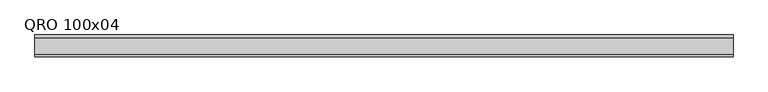
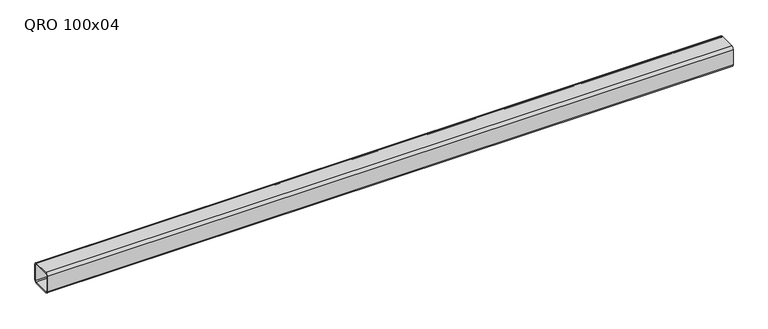
"""IFC4 building model written with IfcOpenShell, lengths in millimetres: beam geometry, QRO 100x04."""

import ifcopenshell
import ifcopenshell.guid

model = None  # the IFC model being written
_history = None  # IfcOwnerHistory: only IFC2X3 demands one
_inside = {}  # id of a spatial element -> (the spatial element, [elements in it])
_under = {}  # id of a project, library or spatial element -> (it, [spatial elements below it])
_declared = {}  # id of a project -> (the project, [libraries it declares])
_typed = {}  # id of a type object -> (the type object, [elements of that type])
_made_of = {}  # id of a material, layer set ... -> (it, [elements and type objects made of it])


def new_model(schema):
    """Start an empty IFC model of exactly this schema.

    Asked for "IFC4X3", IfcOpenShell would pick the latest addendum, in which some entities
    have other attributes; the version numbers below select the first issue.
    IFC2X3 requires an IfcOwnerHistory on every rooted entity: one is made here for all.
    """
    global model, _history
    if schema == "IFC4X3":
        model = ifcopenshell.file(schema_version=(4, 3, 0, 0))
    else:
        model = ifcopenshell.file(schema=schema)
    _inside.clear()
    _under.clear()
    _declared.clear()
    _typed.clear()
    _made_of.clear()
    _history = None
    if model.schema == "IFC2X3":
        org = make("IfcOrganization", Name="unknown")
        user = make(
            "IfcPersonAndOrganization",
            ThePerson=make("IfcPerson", FamilyName="unknown"),
            TheOrganization=org,
        )
        app = make(
            "IfcApplication",
            ApplicationDeveloper=org,
            Version="unknown",
            ApplicationFullName="unknown",
            ApplicationIdentifier="unknown",
        )
        _history = make(
            "IfcOwnerHistory",
            OwningUser=user,
            OwningApplication=app,
            ChangeAction="ADDED",
            CreationDate=0,
        )
    return model


def make(cls, **values):
    """One entity of the class cls with the attributes given. An attribute that is None is left unset."""
    return model.create_entity(
        cls, **{name: value for name, value in values.items() if value is not None}
    )


def rooted(cls, **values):
    """An entity with a GlobalId (a new one), such as an element, a storey or a relation."""
    return make(cls, GlobalId=ifcopenshell.guid.new(), OwnerHistory=_history, **values)


def si_unit(unit_type, name, prefix=None):
    """IfcSIUnit, for example si_unit("LENGTHUNIT", "METRE", prefix="MILLI")."""
    return make("IfcSIUnit", UnitType=unit_type, Prefix=prefix, Name=name)


def assignment(units):
    """IfcUnitAssignment: the units of a project."""
    return None if units is None else make("IfcUnitAssignment", Units=units)


def point(xyz):
    """IfcCartesianPoint."""
    return None if xyz is None else make("IfcCartesianPoint", Coordinates=xyz)


def direction(xyz):
    """IfcDirection."""
    return None if xyz is None else make("IfcDirection", DirectionRatios=xyz)


def frame(location, z_axis=None, x_axis=None):
    """IfcAxis2Placement3D, a coordinate frame: its origin and axes. An axis left out is left unset."""
    return make(
        "IfcAxis2Placement3D",
        Location=point(location),
        Axis=direction(z_axis),
        RefDirection=direction(x_axis),
    )


def frame_2d(location, x_axis=None):
    """IfcAxis2Placement2D, a coordinate frame in the plane: its origin and x axis."""
    return make(
        "IfcAxis2Placement2D", Location=point(location), RefDirection=direction(x_axis)
    )


def origin():
    """The frame at (0, 0, 0) with its axes left unset."""
    return frame((0.0, 0.0, 0.0))


def place(relative_to, where):
    """IfcLocalPlacement: puts the frame where relative to a parent placement (None: the world)."""
    return make(
        "IfcLocalPlacement", PlacementRelTo=relative_to, RelativePlacement=where
    )


def context(
    kind, dimensions, precision=None, world=None, true_north=None, identifier=None
):
    """IfcGeometricRepresentationContext, for example the 3D "Model" context."""
    return make(
        "IfcGeometricRepresentationContext",
        ContextIdentifier=identifier,
        ContextType=kind,
        CoordinateSpaceDimension=dimensions,
        Precision=precision,
        WorldCoordinateSystem=world,
        TrueNorth=true_north,
    )


def project(units=None, contexts=None):
    """IfcProject with its units and contexts."""
    return rooted(
        "IfcProject",
        Name="project",
        RepresentationContexts=contexts,
        UnitsInContext=assignment(units),
    )


def spatial(cls, under=None, at=None, **own):
    """A site, building, storey or space (cls), placed at a placement, below another one or the project."""
    s = rooted(cls, ObjectPlacement=at, **own)
    if under is not None:
        _under.setdefault(under.id(), (under, []))[1].append(s)
    return s


def polyline(points):
    """IfcPolyline through the points."""
    return make("IfcPolyline", Points=[point(p) for p in points])


def circle_curve(where, radius):
    """IfcCircle in the frame where."""
    return make("IfcCircle", Position=where, Radius=radius)


def trimmed(basis, trim1, trim2, sense, master):
    """IfcTrimmedCurve: the piece of a basis curve between two trims."""
    return make(
        "IfcTrimmedCurve",
        BasisCurve=basis,
        Trim1=trim1,
        Trim2=trim2,
        SenseAgreement=sense,
        MasterRepresentation=master,
    )


def segment(curve, same_sense, transition):
    """IfcCompositeCurveSegment."""
    return make(
        "IfcCompositeCurveSegment",
        Transition=transition,
        SameSense=same_sense,
        ParentCurve=curve,
    )


def composite_curve(segments, self_intersect=None):
    """IfcCompositeCurve: segments joined end to end."""
    return make("IfcCompositeCurve", Segments=segments, SelfIntersect=self_intersect)


def outline(outer, holes=None, kind="AREA"):
    """IfcArbitraryClosedProfileDef: a profile drawn as a closed curve; with holes, ...WithVoids."""
    if holes is None:
        return make("IfcArbitraryClosedProfileDef", ProfileType=kind, OuterCurve=outer)
    return make(
        "IfcArbitraryProfileDefWithVoids",
        ProfileType=kind,
        OuterCurve=outer,
        InnerCurves=holes,
    )


def extrude(swept, where, along, depth):
    """IfcExtrudedAreaSolid: the profile swept, set in the frame where, extruded along a direction by depth."""
    return make(
        "IfcExtrudedAreaSolid",
        SweptArea=swept,
        Position=where,
        ExtrudedDirection=direction(along),
        Depth=depth,
    )


def shape(context_of_items, identifier, shape_type, items):
    """IfcShapeRepresentation: the items that make up one representation, for example the "Body"."""
    return make(
        "IfcShapeRepresentation",
        ContextOfItems=context_of_items,
        RepresentationIdentifier=identifier,
        RepresentationType=shape_type,
        Items=items,
    )


def source(mapping_origin, context_of_items, identifier, shape_type, items):
    """IfcRepresentationMap: a shape defined once, which mapped items show again and again."""
    return make(
        "IfcRepresentationMap",
        MappingOrigin=mapping_origin,
        MappedRepresentation=shape(context_of_items, identifier, shape_type, items),
    )


def transform(
    local_origin,
    x_axis=None,
    y_axis=None,
    z_axis=None,
    scale=None,
    scale2=None,
    scale3=None,
    uniform=True,
):
    """IfcCartesianTransformationOperator3D, or its non-uniform kind. x_axis, y_axis, z_axis: its Axis1, 2, 3."""
    if uniform:
        return make(
            "IfcCartesianTransformationOperator3D",
            Axis1=direction(x_axis),
            Axis2=direction(y_axis),
            LocalOrigin=point(local_origin),
            Scale=scale,
            Axis3=direction(z_axis),
        )
    return make(
        "IfcCartesianTransformationOperator3DnonUniform",
        Axis1=direction(x_axis),
        Axis2=direction(y_axis),
        LocalOrigin=point(local_origin),
        Scale=scale,
        Axis3=direction(z_axis),
        Scale2=scale2,
        Scale3=scale3,
    )


def mapped(mapping_source, mapping_target):
    """IfcMappedItem: shows the shape of a source again, moved by a transform."""
    return make(
        "IfcMappedItem", MappingSource=mapping_source, MappingTarget=mapping_target
    )


def made_of(thing, what):
    """Note that an element or type object is made of a material, layer set ...; save() writes the relation."""
    if what is not None:
        _made_of.setdefault(what.id(), (what, []))[1].append(thing)
    return thing


def element(
    cls,
    number,
    at=None,
    inside=None,
    cuts=None,
    type_object=None,
    material=None,
    context=None,
    identifier="Body",
    shape_type=None,
    held_by="IfcProductDefinitionShape",
    body=None,
    shapes=None,
    **own,
):
    """One element of the class cls, such as IfcWall. Its Tag is "e" and its number.

    at: its placement. inside: the storey or other place that contains it. cuts: it is an
    opening in that element (IfcRelVoidsElement). A single representation is given by context,
    identifier, shape_type and body (its items); several are given by shapes. held_by: the class
    of the entity that holds the representations. save() writes the other relations.
    """
    e = rooted(cls, Tag="e%d" % number, ObjectPlacement=at, **own)
    if body is not None:
        shapes = [shape(context, identifier, shape_type, body)]
    if shapes is not None:
        e.Representation = make(held_by, Representations=shapes)
    if inside is not None:
        _inside.setdefault(inside.id(), (inside, []))[1].append(e)
    if cuts is not None:
        rooted(
            "IfcRelVoidsElement", RelatingBuildingElement=cuts, RelatedOpeningElement=e
        )
    if type_object is not None:
        _typed.setdefault(type_object.id(), (type_object, []))[1].append(e)
    return made_of(e, material)


def aggregate(whole, parts):
    """IfcRelAggregates: a whole, such as a stair, and the parts it consists of."""
    return rooted("IfcRelAggregates", RelatingObject=whole, RelatedObjects=parts)


def save(model, path):
    """Write the relations noted so far, then the file.

    IfcRelAggregates (storeys below a building ...), IfcRelContainedInSpatialStructure (elements
    in a storey), IfcRelDefinesByType, IfcRelAssociatesMaterial and IfcRelDeclares: one each for
    every whole, place, type object, material and project.
    """
    for whole, parts in _under.values():
        aggregate(whole, parts)
    for where, things in _inside.values():
        rooted(
            "IfcRelContainedInSpatialStructure",
            RelatedElements=things,
            RelatingStructure=where,
        )
    for kind, things in _typed.values():
        rooted("IfcRelDefinesByType", RelatedObjects=things, RelatingType=kind)
    for what, things in _made_of.values():
        rooted("IfcRelAssociatesMaterial", RelatedObjects=things, RelatingMaterial=what)
    for by, libraries in _declared.values():
        rooted("IfcRelDeclares", RelatingContext=by, RelatedDefinitions=libraries)
    model.write(path)


def qro_100x04_ad6d1d57(model_context):
    return source(origin(), model_context, "Body", "SweptSolid", [
        extrude(outline(composite_curve([segment(polyline([(50.0, 38.0), (50.0, -38.0)]), True, "CONTINUOUS"), segment(trimmed(circle_curve(frame_2d((38.0, -38.0)), 12.0), [point((50.0, -38.0))], [point((38.0, -50.0))], False, "CARTESIAN"), True, "CONTINUOUS"), segment(polyline([(38.0, -50.0), (-38.0, -50.0)]), True, "CONTINUOUS"), segment(trimmed(circle_curve(frame_2d((-38.0, -38.0)), 12.0), [point((-38.0, -50.0))], [point((-50.0, -38.0))], False, "CARTESIAN"), True, "CONTINUOUS"), segment(polyline([(-50.0, -38.0), (-50.0, 38.0)]), True, "CONTINUOUS"), segment(trimmed(circle_curve(frame_2d((-38.0, 38.0)), 12.0), [point((-50.0, 38.0))], [point((-38.0, 50.0))], False, "CARTESIAN"), True, "CONTINUOUS"), segment(polyline([(-38.0, 50.0), (38.0, 50.0)]), True, "CONTINUOUS"), segment(trimmed(circle_curve(frame_2d((38.0, 38.0)), 12.0), [point((38.0, 50.0))], [point((50.0, 38.0))], False, "CARTESIAN"), True, "CONTINUOUS")], self_intersect=False), holes=[composite_curve([segment(trimmed(circle_curve(frame_2d((-38.0, 38.0)), 6.0), [point((-38.0, 44.0))], [point((-44.0, 38.0))], True, "CARTESIAN"), True, "CONTINUOUS"), segment(polyline([(-44.0, 38.0), (-44.0, -38.0)]), True, "CONTINUOUS"), segment(trimmed(circle_curve(frame_2d((-38.0, -38.0)), 6.0), [point((-44.0, -38.0))], [point((-38.0, -44.0))], True, "CARTESIAN"), True, "CONTINUOUS"), segment(polyline([(-38.0, -44.0), (38.0, -44.0)]), True, "CONTINUOUS"), segment(trimmed(circle_curve(frame_2d((38.0, -38.0)), 6.0), [point((38.0, -44.0))], [point((44.0, -38.0))], True, "CARTESIAN"), True, "CONTINUOUS"), segment(polyline([(44.0, -38.0), (44.0, 38.0)]), True, "CONTINUOUS"), segment(trimmed(circle_curve(frame_2d((38.0, 38.0)), 6.0), [point((44.0, 38.0))], [point((38.0, 44.0))], True, "CARTESIAN"), True, "CONTINUOUS"), segment(polyline([(38.0, 44.0), (-38.0, 44.0)]), True, "CONTINUOUS")], self_intersect=False)]), frame((-1622.5057092, 0.0, 0.0), z_axis=(1.0, 0.0, 0.0), x_axis=(0.0, 1.0, 0.0)), (0.0, 0.0, 1.0), 3211.0103942),
    ])


if __name__ == "__main__":
    model = new_model("IFC4")
    model_context = context("Model", 3, world=origin())
    ifc_project = project(units=[si_unit("LENGTHUNIT", "METRE", prefix="MILLI")], contexts=[model_context])
    site = spatial("IfcSite", under=ifc_project)
    building = spatial("IfcBuilding", under=site)
    placement = place(None, origin())
    qro_100x04_shape = qro_100x04_ad6d1d57(model_context)
    element("IfcBeam", 1, ObjectType="QRO 100x04", at=placement, inside=building, context=model_context, shape_type="MappedRepresentation", body=[
        mapped(qro_100x04_shape, transform((0.0, 0.0, 0.0), x_axis=(1.0, 0.0, 0.0), y_axis=(0.0, 1.0, 0.0), z_axis=(0.0, 0.0, 1.0))),
    ])
    save(model, "model.ifc")
